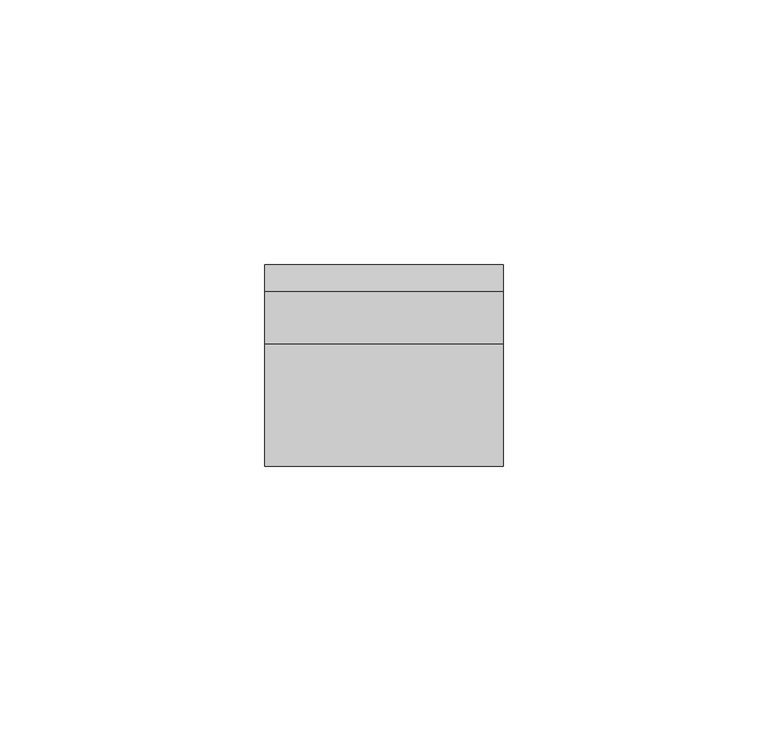
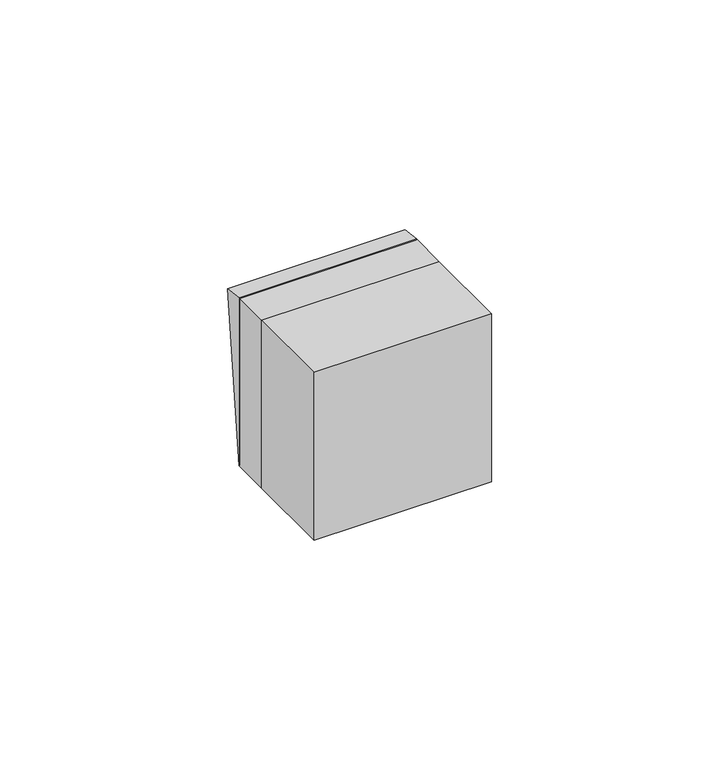
"""IFC4 building model written with IfcOpenShell, lengths in millimetres: switching device geometry."""

from ifc_helpers import new_model, si_unit, frame, origin, place, context, project, spatial, polyline, outline, extrude, faceted_brep, source, transform, mapped, element, save


def switching_device_6c823acd(model_context):
    return source(origin(), model_context, "Body", "SolidModel", [
        extrude(outline(polyline([(0.0, -2.0), (0.0, 0.0), (0.9999999, 0.0), (0.9999999, -2.0), (0.0, -2.0)])), frame((1.0, 12.2452249, -2.4844182), z_axis=(0.0, 0.11147470448260206, 0.9937672716790972), x_axis=(0.0, -0.9937672716790972, 0.11147470448260206)), (0.0, 0.0, 1.0), 5.0),
        faceted_brep([(22.5, 10.0, -22.5), (22.5, 14.9850961, 21.9408026), (22.5, 10.0, 22.5), (-22.5, 10.0, -22.5), (-22.5, 10.0, 22.5), (-22.5, 14.9850961, 21.9408026), (1.0, 12.2452249, -2.4844182), (1.0, 12.8025985, 2.4844182), (-1.0, 12.8025985, 2.4844182), (-1.0, 12.2452249, -2.4844182), (1.0, 11.2514577, -2.3729435), (-1.0, 11.2514577, -2.3729435), (-1.0, 11.8088312, 2.5958929), (1.0, 11.8088312, 2.5958929)], [[[0, 1, 2]], [[3, 4, 5]], [[1, 0, 3, 5], [6, 7, 8, 9]], [[2, 1, 5, 4]], [[0, 2, 4, 3]], [[10, 11, 12, 13]], [[10, 13, 7, 6]], [[13, 12, 8, 7]], [[12, 11, 9, 8]], [[11, 10, 6, 9]]]),
        extrude(outline(polyline([(22.5, -23.0), (-22.5, -23.0), (-22.5, 0.0), (22.5, 0.0), (22.5, -23.0)])), frame((0.0, 0.0, -22.5), z_axis=(0.0, 0.0, 1.0), x_axis=(1.0, 0.0, 0.0)), (0.0, 0.0, 1.0), 45.0),
        extrude(outline(polyline([(22.5, 0.0), (-22.5, 0.0), (-22.5, 10.0), (22.5, 10.0), (22.5, 0.0)])), frame((0.0, 0.0, -22.5), z_axis=(0.0, 0.0, 1.0), x_axis=(1.0, 0.0, 0.0)), (0.0, 0.0, 1.0), 45.0),
    ])


if __name__ == "__main__":
    model = new_model("IFC4")
    model_context = context("Model", 3, world=origin())
    ifc_project = project(units=[si_unit("LENGTHUNIT", "METRE", prefix="MILLI")], contexts=[model_context])
    site = spatial("IfcSite", under=ifc_project)
    building = spatial("IfcBuilding", under=site)
    placement = place(None, origin())
    switching_device_shape = switching_device_6c823acd(model_context)
    element("IfcSwitchingDevice", 1, at=placement, inside=building, context=model_context, shape_type="MappedRepresentation", body=[
        mapped(switching_device_shape, transform((0.0, 0.0, 0.0), x_axis=(1.0, 0.0, 0.0), y_axis=(0.0, 1.0, 0.0), z_axis=(0.0, 0.0, 1.0))),
    ])
    save(model, "model.ifc")
